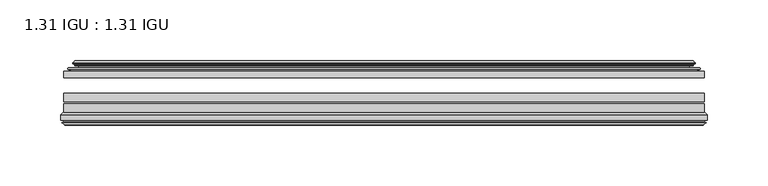
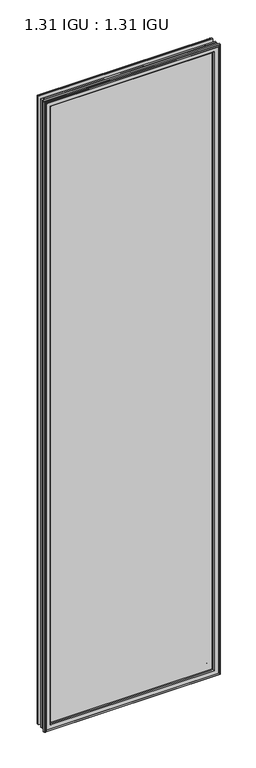
"""IFC4 building model written with IfcOpenShell, lengths in millimetres: plate geometry, 1.31 IGU : 1.31 IGU."""

import ifcopenshell
import ifcopenshell.guid

model = None  # the IFC model being written
_history = None  # IfcOwnerHistory: only IFC2X3 demands one
_inside = {}  # id of a spatial element -> (the spatial element, [elements in it])
_under = {}  # id of a project, library or spatial element -> (it, [spatial elements below it])
_declared = {}  # id of a project -> (the project, [libraries it declares])
_typed = {}  # id of a type object -> (the type object, [elements of that type])
_made_of = {}  # id of a material, layer set ... -> (it, [elements and type objects made of it])


def new_model(schema):
    """Start an empty IFC model of exactly this schema.

    Asked for "IFC4X3", IfcOpenShell would pick the latest addendum, in which some entities
    have other attributes; the version numbers below select the first issue.
    IFC2X3 requires an IfcOwnerHistory on every rooted entity: one is made here for all.
    """
    global model, _history
    if schema == "IFC4X3":
        model = ifcopenshell.file(schema_version=(4, 3, 0, 0))
    else:
        model = ifcopenshell.file(schema=schema)
    _inside.clear()
    _under.clear()
    _declared.clear()
    _typed.clear()
    _made_of.clear()
    _history = None
    if model.schema == "IFC2X3":
        org = make("IfcOrganization", Name="unknown")
        user = make(
            "IfcPersonAndOrganization",
            ThePerson=make("IfcPerson", FamilyName="unknown"),
            TheOrganization=org,
        )
        app = make(
            "IfcApplication",
            ApplicationDeveloper=org,
            Version="unknown",
            ApplicationFullName="unknown",
            ApplicationIdentifier="unknown",
        )
        _history = make(
            "IfcOwnerHistory",
            OwningUser=user,
            OwningApplication=app,
            ChangeAction="ADDED",
            CreationDate=0,
        )
    return model


def make(cls, **values):
    """One entity of the class cls with the attributes given. An attribute that is None is left unset."""
    return model.create_entity(
        cls, **{name: value for name, value in values.items() if value is not None}
    )


def rooted(cls, **values):
    """An entity with a GlobalId (a new one), such as an element, a storey or a relation."""
    return make(cls, GlobalId=ifcopenshell.guid.new(), OwnerHistory=_history, **values)


def si_unit(unit_type, name, prefix=None):
    """IfcSIUnit, for example si_unit("LENGTHUNIT", "METRE", prefix="MILLI")."""
    return make("IfcSIUnit", UnitType=unit_type, Prefix=prefix, Name=name)


def assignment(units):
    """IfcUnitAssignment: the units of a project."""
    return None if units is None else make("IfcUnitAssignment", Units=units)


def point(xyz):
    """IfcCartesianPoint."""
    return None if xyz is None else make("IfcCartesianPoint", Coordinates=xyz)


def direction(xyz):
    """IfcDirection."""
    return None if xyz is None else make("IfcDirection", DirectionRatios=xyz)


def frame(location, z_axis=None, x_axis=None):
    """IfcAxis2Placement3D, a coordinate frame: its origin and axes. An axis left out is left unset."""
    return make(
        "IfcAxis2Placement3D",
        Location=point(location),
        Axis=direction(z_axis),
        RefDirection=direction(x_axis),
    )


def origin():
    """The frame at (0, 0, 0) with its axes left unset."""
    return frame((0.0, 0.0, 0.0))


def place(relative_to, where):
    """IfcLocalPlacement: puts the frame where relative to a parent placement (None: the world)."""
    return make(
        "IfcLocalPlacement", PlacementRelTo=relative_to, RelativePlacement=where
    )


def context(
    kind, dimensions, precision=None, world=None, true_north=None, identifier=None
):
    """IfcGeometricRepresentationContext, for example the 3D "Model" context."""
    return make(
        "IfcGeometricRepresentationContext",
        ContextIdentifier=identifier,
        ContextType=kind,
        CoordinateSpaceDimension=dimensions,
        Precision=precision,
        WorldCoordinateSystem=world,
        TrueNorth=true_north,
    )


def project(units=None, contexts=None):
    """IfcProject with its units and contexts."""
    return rooted(
        "IfcProject",
        Name="project",
        RepresentationContexts=contexts,
        UnitsInContext=assignment(units),
    )


def spatial(cls, under=None, at=None, **own):
    """A site, building, storey or space (cls), placed at a placement, below another one or the project."""
    s = rooted(cls, ObjectPlacement=at, **own)
    if under is not None:
        _under.setdefault(under.id(), (under, []))[1].append(s)
    return s


def polyline(points):
    """IfcPolyline through the points."""
    return make("IfcPolyline", Points=[point(p) for p in points])


def ellipse_curve(where, semi_axis1, semi_axis2):
    """IfcEllipse in the frame where."""
    return make(
        "IfcEllipse", Position=where, SemiAxis1=semi_axis1, SemiAxis2=semi_axis2
    )


def outline(outer, holes=None, kind="AREA"):
    """IfcArbitraryClosedProfileDef: a profile drawn as a closed curve; with holes, ...WithVoids."""
    if holes is None:
        return make("IfcArbitraryClosedProfileDef", ProfileType=kind, OuterCurve=outer)
    return make(
        "IfcArbitraryProfileDefWithVoids",
        ProfileType=kind,
        OuterCurve=outer,
        InnerCurves=holes,
    )


def extrude(swept, where, along, depth):
    """IfcExtrudedAreaSolid: the profile swept, set in the frame where, extruded along a direction by depth."""
    return make(
        "IfcExtrudedAreaSolid",
        SweptArea=swept,
        Position=where,
        ExtrudedDirection=direction(along),
        Depth=depth,
    )


def shape(context_of_items, identifier, shape_type, items):
    """IfcShapeRepresentation: the items that make up one representation, for example the "Body"."""
    return make(
        "IfcShapeRepresentation",
        ContextOfItems=context_of_items,
        RepresentationIdentifier=identifier,
        RepresentationType=shape_type,
        Items=items,
    )


def source(mapping_origin, context_of_items, identifier, shape_type, items):
    """IfcRepresentationMap: a shape defined once, which mapped items show again and again."""
    return make(
        "IfcRepresentationMap",
        MappingOrigin=mapping_origin,
        MappedRepresentation=shape(context_of_items, identifier, shape_type, items),
    )


def transform(
    local_origin,
    x_axis=None,
    y_axis=None,
    z_axis=None,
    scale=None,
    scale2=None,
    scale3=None,
    uniform=True,
):
    """IfcCartesianTransformationOperator3D, or its non-uniform kind. x_axis, y_axis, z_axis: its Axis1, 2, 3."""
    if uniform:
        return make(
            "IfcCartesianTransformationOperator3D",
            Axis1=direction(x_axis),
            Axis2=direction(y_axis),
            LocalOrigin=point(local_origin),
            Scale=scale,
            Axis3=direction(z_axis),
        )
    return make(
        "IfcCartesianTransformationOperator3DnonUniform",
        Axis1=direction(x_axis),
        Axis2=direction(y_axis),
        LocalOrigin=point(local_origin),
        Scale=scale,
        Axis3=direction(z_axis),
        Scale2=scale2,
        Scale3=scale3,
    )


def mapped(mapping_source, mapping_target):
    """IfcMappedItem: shows the shape of a source again, moved by a transform."""
    return make(
        "IfcMappedItem", MappingSource=mapping_source, MappingTarget=mapping_target
    )


def made_of(thing, what):
    """Note that an element or type object is made of a material, layer set ...; save() writes the relation."""
    if what is not None:
        _made_of.setdefault(what.id(), (what, []))[1].append(thing)
    return thing


def element(
    cls,
    number,
    at=None,
    inside=None,
    cuts=None,
    type_object=None,
    material=None,
    context=None,
    identifier="Body",
    shape_type=None,
    held_by="IfcProductDefinitionShape",
    body=None,
    shapes=None,
    **own,
):
    """One element of the class cls, such as IfcWall. Its Tag is "e" and its number.

    at: its placement. inside: the storey or other place that contains it. cuts: it is an
    opening in that element (IfcRelVoidsElement). A single representation is given by context,
    identifier, shape_type and body (its items); several are given by shapes. held_by: the class
    of the entity that holds the representations. save() writes the other relations.
    """
    e = rooted(cls, Tag="e%d" % number, ObjectPlacement=at, **own)
    if body is not None:
        shapes = [shape(context, identifier, shape_type, body)]
    if shapes is not None:
        e.Representation = make(held_by, Representations=shapes)
    if inside is not None:
        _inside.setdefault(inside.id(), (inside, []))[1].append(e)
    if cuts is not None:
        rooted(
            "IfcRelVoidsElement", RelatingBuildingElement=cuts, RelatedOpeningElement=e
        )
    if type_object is not None:
        _typed.setdefault(type_object.id(), (type_object, []))[1].append(e)
    return made_of(e, material)


def aggregate(whole, parts):
    """IfcRelAggregates: a whole, such as a stair, and the parts it consists of."""
    return rooted("IfcRelAggregates", RelatingObject=whole, RelatedObjects=parts)


def save(model, path):
    """Write the relations noted so far, then the file.

    IfcRelAggregates (storeys below a building ...), IfcRelContainedInSpatialStructure (elements
    in a storey), IfcRelDefinesByType, IfcRelAssociatesMaterial and IfcRelDeclares: one each for
    every whole, place, type object, material and project.
    """
    for whole, parts in _under.values():
        aggregate(whole, parts)
    for where, things in _inside.values():
        rooted(
            "IfcRelContainedInSpatialStructure",
            RelatedElements=things,
            RelatingStructure=where,
        )
    for kind, things in _typed.values():
        rooted("IfcRelDefinesByType", RelatedObjects=things, RelatingType=kind)
    for what, things in _made_of.values():
        rooted("IfcRelAssociatesMaterial", RelatedObjects=things, RelatingMaterial=what)
    for by, libraries in _declared.values():
        rooted("IfcRelDeclares", RelatingContext=by, RelatedDefinitions=libraries)
    model.write(path)


def plane_surface(at):
    """IfcPlane: the flat surface through the origin of the frame at, square to its z axis."""
    return make("IfcPlane", Position=at)


def cylinder_surface(at, radius):
    """IfcCylindricalSurface: all points at the distance radius from the z axis of the frame at."""
    return make("IfcCylindricalSurface", Position=at, Radius=radius)


def revolved_surface(curve, axis_point, axis_direction):
    """IfcSurfaceOfRevolution: the curve turned about the line through axis_point along axis_direction."""
    return make(
        "IfcSurfaceOfRevolution",
        SweptCurve=make("IfcArbitraryOpenProfileDef", ProfileType="CURVE", Curve=curve),
        AxisPosition=make("IfcAxis1Placement", Location=point(axis_point), Axis=direction(axis_direction)),
    )


def advanced_brep(points, edges, surfaces, faces):
    """IfcAdvancedBrep: a solid bounded by faces that lie on surfaces and meet in shared edges.

    An edge is (start, end): straight between two places in points (the first is 0);
    or (start, end, curve); or (start, end, curve, False) where it runs against its curve.
    A face is (place in surfaces, loops), or (place, loops, False) where it looks against
    its surface's normal. A loop lists edges by number (the first is 1), with a minus sign
    where the edge is run from its end to its start. The first loop is the outer one.
    """
    corners = [point(p) for p in points]
    vertices = [make("IfcVertexPoint", VertexGeometry=c) for c in corners]
    made = []
    for start, end, *more in edges:
        made.append(
            make(
                "IfcEdgeCurve",
                EdgeStart=vertices[start],
                EdgeEnd=vertices[end],
                EdgeGeometry=more[0] if more else make("IfcPolyline", Points=[corners[start], corners[end]]),
                SameSense=more[1] if len(more) > 1 else True,
            )
        )
    hull = []
    for where, loops, *sense in faces:
        bounds = []
        for j, loop in enumerate(loops):
            ring = [make("IfcOrientedEdge", EdgeElement=made[abs(k) - 1], Orientation=k > 0) for k in loop]
            bounds.append(
                make(
                    "IfcFaceOuterBound" if j == 0 else "IfcFaceBound",
                    Bound=make("IfcEdgeLoop", EdgeList=ring),
                    Orientation=True,
                )
            )
        hull.append(make("IfcAdvancedFace", Bounds=bounds, FaceSurface=surfaces[where], SameSense=sense[0] if sense else True))
    return make("IfcAdvancedBrep", Outer=make("IfcClosedShell", CfsFaces=hull))


def plate_1_31_igu_1_31_igu_002f4c87(model_context):
    return source(origin(), model_context, "Body", "SolidModel", [
        extrude(outline(polyline([(263.5203362, -44.8960875), (263.5203362, -50.4332875), (-263.5252713, -50.4332875), (-263.5252713, -44.8960875), (263.5203362, -44.8960875)])), frame((0.0, 0.0, -14.2875), z_axis=(0.0, 0.0, 1.0), x_axis=(1.0, 0.0, 0.0)), (0.0, 0.0, 1.0), 2009.67848),
        extrude(outline(polyline([(-263.5252713, -78.7796875), (-263.5252713, -71.7692875), (263.5203362, -71.7692875), (263.5203362, -78.7796875), (-263.5252713, -78.7796875)])), frame((0.0, 0.0, -14.2875), z_axis=(0.0, 0.0, 1.0), x_axis=(1.0, 0.0, 0.0)), (0.0, 0.0, 1.0), 2009.67848),
        extrude(outline(polyline([(-263.5252713, -70.2452875), (-263.5252713, -63.1332875), (263.5203362, -63.1332875), (263.5203362, -70.2452875), (-263.5252713, -70.2452875)])), frame((0.0, 0.0, -14.2875), z_axis=(0.0, 0.0, 1.0), x_axis=(1.0, 0.0, 0.0)), (0.0, 0.0, 1.0), 2009.67848),
        advanced_brep(
        [(-254.1799468, -37.7373382, 1986.0456555), (-249.2383138, -36.3108875, 1981.1040226), (-249.2383138, -36.3108875, -0.0005426), (-254.1799468, -37.7373382, -4.9421755), (-254.0148415, -36.9605789, 1985.8805502), (-254.0148415, -36.9605789, -4.7770702), (-254.6103272, -36.4771203, 1986.4760359), (-254.6103272, -36.4771203, -5.3725559), (-255.874963, -37.766076, 1987.7406717), (-255.874963, -37.766076, -6.6371917), (-255.8641462, -38.8797852, 1987.7298549), (-255.8641462, -38.8797852, -6.6263749), (-254.582661, -40.1361433, 1986.4483697), (-254.582661, -40.1361433, -5.3448897), (-253.9776542, -39.649943, 1985.8433629), (-253.9776542, -39.649943, -4.7398829), (-254.5316684, -39.0959287, 1986.3973772), (-254.5316684, -39.0959287, -5.2938972), (-252.24586, -38.7029881, 1984.1115687), (-252.24586, -38.7029881, -3.0080887), (-250.7867869, -40.2107282, 1982.6524957), (-250.7867869, -40.2107282, -1.5490157), (-251.0833689, -41.651269, 1982.9490776), (-251.0833689, -41.651269, -1.8455976), (-251.8545933, -42.2798875, 1983.7203021), (-251.8545933, -42.2798875, -2.6168221), (-260.1585697, -43.4871542, 1992.0242784), (-259.8833682, -42.2798875, 1991.7490769), (-259.8833682, -42.2798875, -10.6455969), (-260.1585697, -43.4871542, -10.9207984), (-256.701001, -44.8960875, 1988.5667097), (-256.701001, -44.8960875, -7.4632297), (-245.6033772, -44.023302, 1977.4690859), (-245.9587152, -44.8960875, 1977.8244239), (-245.9587152, -44.8960875, 3.2790561), (-245.6033772, -44.023302, 3.6343941), (-246.2745752, -43.3681812, 1978.140284), (-246.2745752, -43.3681812, 2.963196), (-247.9153658, -40.6686056, 1979.7810746), (-247.9153658, -40.6686056, 1.3224054), (249.2383138, -36.3108875, -0.0005426), (254.1799468, -37.7373382, -4.9421755), (254.0148415, -36.9605789, -4.7770702), (254.6103272, -36.4771203, -5.3725559), (255.874963, -37.766076, -6.6371917), (255.8641462, -38.8797852, -6.6263749), (254.582661, -40.1361433, -5.3448897), (253.9776542, -39.649943, -4.7398829), (254.5316684, -39.0959287, -5.2938972), (252.24586, -38.7029881, -3.0080887), (250.7867869, -40.2107282, -1.5490157), (251.0833689, -41.651269, -1.8455976), (251.8545933, -42.2798875, -2.6168221), (259.8833682, -42.2798875, -10.6455969), (260.1585697, -43.4871542, -10.9207984), (256.701001, -44.8960875, -7.4632297), (245.9587152, -44.8960875, 3.2790561), (245.6033772, -44.023302, 3.6343941), (246.2745752, -43.3681812, 2.963196), (247.9153658, -40.6686056, 1.3224054), (249.2383138, -36.3108875, 1981.1040226), (254.1799468, -37.7373382, 1986.0456555), (254.0148415, -36.9605789, 1985.8805502), (254.6103272, -36.4771203, 1986.4760359), (255.874963, -37.766076, 1987.7406717), (255.8641462, -38.8797852, 1987.7298549), (254.582661, -40.1361433, 1986.4483697), (253.9776542, -39.649943, 1985.8433629), (254.5316684, -39.0959287, 1986.3973772), (252.24586, -38.7029881, 1984.1115687), (250.7867869, -40.2107282, 1982.6524957), (251.0833689, -41.651269, 1982.9490776), (251.8545933, -42.2798875, 1983.7203021), (259.8833682, -42.2798875, 1991.7490769), (260.1585697, -43.4871542, 1992.0242784), (256.701001, -44.8960875, 1988.5667097), (245.9587152, -44.8960875, 1977.8244239), (245.6033772, -44.023302, 1977.4690859), (246.2745752, -43.3681812, 1978.140284), (247.9153658, -40.6686056, 1979.7810746)],
        [
            (0, 1),
            (1, 2),
            (2, 3),
            (3, 0),
            (4, 0),
            (3, 5),
            (5, 4),
            (6, 4, ellipse_curve(frame((-254.3353584, -36.746901, 1986.2010671), z_axis=(-0.7071067811865475, 0.0, -0.7071067811865475), x_axis=(-0.7071067811865474, 0.0, 0.7071067811865476)), 0.5447741, 0.3852135)),
            (5, 7, ellipse_curve(frame((-254.3353584, -36.746901, -5.0975871), z_axis=(-0.7071067811865475, 0.0, 0.7071067811865475), x_axis=(0.7071067811865474, 0.0, 0.7071067811865476)), 0.5447741, 0.3852135)),
            (7, 6),
            (8, 6),
            (7, 9),
            (9, 8),
            (10, 8, ellipse_curve(frame((-255.3129099, -38.3175243, 1987.1786187), z_axis=(-0.7071067811865475, 0.0, -0.7071067811865475), x_axis=(-0.7071067811865474, 0.0, 0.7071067811865476)), 1.1135518, 0.7874)),
            (9, 11, ellipse_curve(frame((-255.3129099, -38.3175243, -6.0751387), z_axis=(-0.7071067811865475, 0.0, 0.7071067811865475), x_axis=(0.7071067811865474, 0.0, 0.7071067811865476)), 1.1135518, 0.7874)),
            (11, 10),
            (12, 10),
            (11, 13),
            (13, 12),
            (14, 12, ellipse_curve(frame((-254.3090635, -39.8570738, 1986.1747722), z_axis=(-0.7071067811865475, 0.0, -0.7071067811865475), x_axis=(-0.7071067811865474, 0.0, 0.7071067811865476)), 0.552694, 0.3908137)),
            (13, 15, ellipse_curve(frame((-254.3090635, -39.8570738, -5.0712922), z_axis=(-0.7071067811865475, 0.0, 0.7071067811865475), x_axis=(0.7071067811865474, 0.0, 0.7071067811865476)), 0.552694, 0.3908137)),
            (15, 14),
            (16, 14),
            (15, 17),
            (17, 16),
            (18, 16),
            (17, 19),
            (19, 18),
            (20, 18, ellipse_curve(frame((-252.0306974, -39.954629, 1983.8964061), z_axis=(0.7071067811865475, 0.0, 0.7071067811865475), x_axis=(0.7071067811865474, 0.0, -0.7071067811865476)), 1.7960512, 1.27)),
            (19, 21, ellipse_curve(frame((-252.0306974, -39.954629, -2.7929261), z_axis=(0.7071067811865475, 0.0, -0.7071067811865475), x_axis=(-0.7071067811865474, 0.0, -0.7071067811865476)), 1.7960512, 1.27)),
            (21, 20),
            (22, 20),
            (21, 23),
            (23, 22),
            (24, 22, ellipse_curve(frame((-251.8545933, -41.4924875, 1983.7203021), z_axis=(0.7071067811865475, 0.0, 0.7071067811865475), x_axis=(0.7071067811865474, 0.0, -0.7071067811865476)), 1.1135518, 0.7874)),
            (23, 25, ellipse_curve(frame((-251.8545933, -41.4924875, -2.6168221), z_axis=(0.7071067811865475, 0.0, -0.7071067811865475), x_axis=(-0.7071067811865474, 0.0, -0.7071067811865476)), 1.1135518, 0.7874)),
            (25, 24),
            (26, 27, ellipse_curve(frame((-259.8833682, -42.9148875, 1991.7490769), z_axis=(-0.7071067811865475, 0.0, -0.7071067811865475), x_axis=(-0.7071067811865474, 0.0, 0.7071067811865476)), 0.8980256, 0.635)),
            (27, 28),
            (28, 29, ellipse_curve(frame((-259.8833682, -42.9148875, -10.6455969), z_axis=(-0.7071067811865475, 0.0, 0.7071067811865475), x_axis=(0.7071067811865474, 0.0, 0.7071067811865476)), 0.8980256, 0.635)),
            (29, 26),
            (30, 26),
            (29, 31),
            (31, 30),
            (32, 33, ellipse_curve(frame((-245.9587152, -44.3873602, 1977.8244239), z_axis=(-0.7071067811865475, 0.0, -0.7071067811865475), x_axis=(-0.7071067811865474, 0.0, 0.7071067811865476)), 0.719449, 0.5087273)),
            (33, 34),
            (34, 35, ellipse_curve(frame((-245.9587152, -44.3873602, 3.2790561), z_axis=(-0.7071067811865475, 0.0, 0.7071067811865475), x_axis=(0.7071067811865474, 0.0, 0.7071067811865476)), 0.719449, 0.5087273)),
            (35, 32),
            (36, 32),
            (35, 37),
            (37, 36),
            (38, 36, ellipse_curve(frame((-241.839201, -38.823959, 1973.7049098), z_axis=(0.7071067811865475, 0.0, 0.7071067811865475), x_axis=(0.7071067811865474, 0.0, -0.7071067811865476)), 8.9802561, 6.35)),
            (37, 39, ellipse_curve(frame((-241.839201, -38.823959, 7.3985702), z_axis=(0.7071067811865475, 0.0, -0.7071067811865475), x_axis=(-0.7071067811865474, 0.0, -0.7071067811865476)), 8.9802561, 6.35)),
            (39, 38),
            (1, 38),
            (39, 2),
            (2, 40),
            (40, 41),
            (41, 3),
            (41, 42),
            (42, 5),
            (42, 43, ellipse_curve(frame((254.3353584, -36.746901, -5.0975871), z_axis=(-0.7071067811865475, 0.0, -0.7071067811865475), x_axis=(-0.7071067811865476, 0.0, 0.7071067811865474)), 0.5447741, 0.3852135)),
            (43, 7),
            (43, 44),
            (44, 9),
            (44, 45, ellipse_curve(frame((255.3129099, -38.3175243, -6.0751387), z_axis=(-0.7071067811865475, 0.0, -0.7071067811865475), x_axis=(-0.7071067811865476, 0.0, 0.7071067811865474)), 1.1135518, 0.7874)),
            (45, 11),
            (45, 46),
            (46, 13),
            (46, 47, ellipse_curve(frame((254.3090635, -39.8570738, -5.0712922), z_axis=(-0.7071067811865475, 0.0, -0.7071067811865475), x_axis=(-0.7071067811865476, 0.0, 0.7071067811865474)), 0.552694, 0.3908137)),
            (47, 15),
            (47, 48),
            (48, 17),
            (48, 49),
            (49, 19),
            (49, 50, ellipse_curve(frame((252.0306974, -39.954629, -2.7929261), z_axis=(0.7071067811865475, 0.0, 0.7071067811865475), x_axis=(0.7071067811865476, 0.0, -0.7071067811865474)), 1.7960512, 1.27)),
            (50, 21),
            (50, 51),
            (51, 23),
            (51, 52, ellipse_curve(frame((251.8545933, -41.4924875, -2.6168221), z_axis=(0.7071067811865475, 0.0, 0.7071067811865475), x_axis=(0.7071067811865476, 0.0, -0.7071067811865474)), 1.1135518, 0.7874)),
            (52, 25),
            (28, 53),
            (53, 54, ellipse_curve(frame((259.8833682, -42.9148875, -10.6455969), z_axis=(-0.7071067811865475, 0.0, -0.7071067811865475), x_axis=(-0.7071067811865476, 0.0, 0.7071067811865474)), 0.8980256, 0.635)),
            (54, 29),
            (54, 55),
            (55, 31),
            (34, 56),
            (56, 57, ellipse_curve(frame((245.9587152, -44.3873602, 3.2790561), z_axis=(-0.7071067811865475, 0.0, -0.7071067811865475), x_axis=(-0.7071067811865476, 0.0, 0.7071067811865474)), 0.719449, 0.5087273)),
            (57, 35),
            (57, 58),
            (58, 37),
            (58, 59, ellipse_curve(frame((241.839201, -38.823959, 7.3985702), z_axis=(0.7071067811865475, 0.0, 0.7071067811865475), x_axis=(0.7071067811865476, 0.0, -0.7071067811865474)), 8.9802561, 6.35)),
            (59, 39),
            (59, 40),
            (40, 60),
            (60, 61),
            (61, 41),
            (61, 62),
            (62, 42),
            (62, 63, ellipse_curve(frame((254.3353584, -36.746901, 1986.2010671), z_axis=(0.7071067811865475, 0.0, -0.7071067811865475), x_axis=(-0.7071067811865474, 0.0, -0.7071067811865476)), 0.5447741, 0.3852135)),
            (63, 43),
            (63, 64),
            (64, 44),
            (64, 65, ellipse_curve(frame((255.3129099, -38.3175243, 1987.1786187), z_axis=(0.7071067811865475, 0.0, -0.7071067811865475), x_axis=(-0.7071067811865474, 0.0, -0.7071067811865476)), 1.1135518, 0.7874)),
            (65, 45),
            (65, 66),
            (66, 46),
            (66, 67, ellipse_curve(frame((254.3090635, -39.8570738, 1986.1747722), z_axis=(0.7071067811865475, 0.0, -0.7071067811865475), x_axis=(-0.7071067811865474, 0.0, -0.7071067811865476)), 0.552694, 0.3908137)),
            (67, 47),
            (67, 68),
            (68, 48),
            (68, 69),
            (69, 49),
            (69, 70, ellipse_curve(frame((252.0306974, -39.954629, 1983.8964061), z_axis=(-0.7071067811865475, 0.0, 0.7071067811865475), x_axis=(0.7071067811865474, 0.0, 0.7071067811865476)), 1.7960512, 1.27)),
            (70, 50),
            (70, 71),
            (71, 51),
            (71, 72, ellipse_curve(frame((251.8545933, -41.4924875, 1983.7203021), z_axis=(-0.7071067811865475, 0.0, 0.7071067811865475), x_axis=(0.7071067811865474, 0.0, 0.7071067811865476)), 1.1135518, 0.7874)),
            (72, 52),
            (53, 73),
            (73, 74, ellipse_curve(frame((259.8833682, -42.9148875, 1991.7490769), z_axis=(0.7071067811865475, 0.0, -0.7071067811865475), x_axis=(-0.7071067811865474, 0.0, -0.7071067811865476)), 0.8980256, 0.635)),
            (74, 54),
            (74, 75),
            (75, 55),
            (56, 76),
            (76, 77, ellipse_curve(frame((245.9587152, -44.3873602, 1977.8244239), z_axis=(0.7071067811865475, 0.0, -0.7071067811865475), x_axis=(-0.7071067811865474, 0.0, -0.7071067811865476)), 0.719449, 0.5087273)),
            (77, 57),
            (77, 78),
            (78, 58),
            (78, 79, ellipse_curve(frame((241.839201, -38.823959, 1973.7049098), z_axis=(-0.7071067811865475, 0.0, 0.7071067811865475), x_axis=(0.7071067811865474, 0.0, 0.7071067811865476)), 8.9802561, 6.35)),
            (79, 59),
            (79, 60),
            (60, 1),
            (0, 61),
            (4, 62),
            (6, 63),
            (8, 64),
            (10, 65),
            (12, 66),
            (14, 67),
            (16, 68),
            (18, 69),
            (20, 70),
            (22, 71),
            (24, 72),
            (27, 73),
            (26, 74),
            (30, 75),
            (33, 76),
            (32, 77),
            (36, 78),
            (38, 79),
        ],
        [
            plane_surface(frame((-249.2383138, -36.3108875, 1981.1040226), z_axis=(-0.2773364928492854, 0.9607728502273877, 0.0), x_axis=(0.0, 0.0, -1.0))),
            plane_surface(frame((-254.1799468, -37.7373382, 1986.0456555), z_axis=(0.9781476007338358, -0.20791169081761773, 0.0), x_axis=(0.0, 0.0, -1.0))),
            cylinder_surface(frame((-254.3353584, -36.746901, 2012.85348), z_axis=(0.0, 0.0, 1.0), x_axis=(-1.0, 0.0, 0.0)), 0.3852135),
            plane_surface(frame((-254.6103272, -36.4771203, 1986.4760359), z_axis=(-0.7138087599382162, 0.7003406701280929, 0.0), x_axis=(0.0, 0.0, -1.0))),
            cylinder_surface(frame((-255.3129099, -38.3175243, 2012.85348), z_axis=(0.0, 0.0, 1.0), x_axis=(-1.0, 0.0, 0.0)), 0.7874),
            plane_surface(frame((-255.8641462, -38.8797852, 1987.7298549), z_axis=(-0.7000714109283733, -0.7140728391423082, 0.0), x_axis=(0.0, 0.0, -1.0))),
            cylinder_surface(frame((-254.3090635, -39.8570738, 2012.85348), z_axis=(0.0, 0.0, 1.0), x_axis=(-1.0, 0.0, 0.0)), 0.3908137),
            plane_surface(frame((-253.9776542, -39.649943, 1985.8433629), z_axis=(0.7071067811861126, 0.7071067811869826, 0.0), x_axis=(0.0, 0.0, -1.0))),
            plane_surface(frame((-254.5316684, -39.0959287, 1986.3973772), z_axis=(0.16941940671011482, -0.9855440449974789, 0.0), x_axis=(0.0, 0.0, -1.0))),
            revolved_surface(polyline([(-253.30069740000002, -39.954629, -4.062926082878221), (-253.30069740000002, -39.954629, 1985.1664060828782)]), (-252.0306974, -39.954629, 2012.85348), (0.0, 0.0, -1.0)),
            plane_surface(frame((-250.7867869, -40.2107282, 1982.6524957), z_axis=(-0.9794570432566897, 0.20165292067030202, 0.0), x_axis=(0.0, 0.0, -1.0))),
            revolved_surface(polyline([(-252.6419933, -41.4924875, -3.4042221289826102), (-252.6419933, -41.4924875, 1984.5077021289826)]), (-251.8545933, -41.4924875, 2012.85348), (0.0, 0.0, -1.0)),
            cylinder_surface(frame((-259.8833682, -42.9148875, 2012.85348), z_axis=(0.0, 0.0, 1.0), x_axis=(-1.0, 0.0, 0.0)), 0.635),
            plane_surface(frame((-260.1585697, -43.4871542, 1992.0242784), z_axis=(-0.37736447542757934, -0.9260648209954139, 0.0), x_axis=(0.0, 0.0, -1.0))),
            cylinder_surface(frame((-245.9587152, -44.3873602, 2012.85348), z_axis=(0.0, 0.0, 1.0), x_axis=(-1.0, 0.0, 0.0)), 0.5087273),
            plane_surface(frame((-245.6033772, -44.023302, 1977.4690859), z_axis=(0.698484125849927, 0.7156255486884628, 0.0), x_axis=(0.0, 0.0, -1.0))),
            revolved_surface(polyline([(-248.189201, -38.823959, 1.0485702148980636), (-248.189201, -38.823959, 1980.054909785102)]), (-241.839201, -38.823959, 2012.85348), (0.0, 0.0, -1.0)),
            plane_surface(frame((-247.9153658, -40.6686056, 1979.7810746), z_axis=(0.956876347351701, 0.2904955350411895, 0.0), x_axis=(0.0, 0.0, -1.0))),
            plane_surface(frame((-249.2383138, -36.3108875, -0.0005426), z_axis=(0.0, 0.9607728502273868, -0.2773364928492885), x_axis=(1.0, 0.0, 0.0))),
            plane_surface(frame((-254.1799468, -37.7373382, -4.9421755), z_axis=(0.0, -0.20791169081761454, 0.9781476007338364), x_axis=(1.0, 0.0, 0.0))),
            cylinder_surface(frame((-280.9877713, -36.746901, -5.0975871), z_axis=(-1.0, 0.0, 0.0), x_axis=(0.0, 0.0, -1.0)), 0.3852135),
            plane_surface(frame((-254.6103272, -36.4771203, -5.3725559), z_axis=(0.0, 0.7003406701280904, -0.7138087599382185), x_axis=(1.0, 0.0, 0.0))),
            cylinder_surface(frame((-280.9877713, -38.3175243, -6.0751387), z_axis=(-1.0, 0.0, 0.0), x_axis=(0.0, 0.0, -1.0)), 0.7874),
            plane_surface(frame((-255.8641462, -38.8797852, -6.6263749), z_axis=(0.0, -0.7140728391423106, -0.700071410928371), x_axis=(1.0, 0.0, 0.0))),
            cylinder_surface(frame((-280.9877713, -39.8570738, -5.0712922), z_axis=(-1.0, 0.0, 0.0), x_axis=(0.0, 0.0, -1.0)), 0.3908137),
            plane_surface(frame((-253.9776542, -39.649943, -4.7398829), z_axis=(0.0, 0.7071067811869849, 0.7071067811861103), x_axis=(1.0, 0.0, 0.0))),
            plane_surface(frame((-254.5316684, -39.0959287, -5.2938972), z_axis=(0.0, -0.9855440449974784, 0.16941940671011801), x_axis=(1.0, 0.0, 0.0))),
            revolved_surface(polyline([(253.30069738287835, -39.954629, -4.0629261), (-253.30069738287824, -39.954629, -4.0629261)]), (-280.9877713, -39.954629, -2.7929261), (1.0, 0.0, 0.0)),
            plane_surface(frame((-250.7867869, -40.2107282, -1.5490157), z_axis=(0.0, 0.20165292067029883, -0.9794570432566904), x_axis=(1.0, 0.0, 0.0))),
            revolved_surface(polyline([(252.64199332898244, -41.4924875, -3.4042220999999997), (-252.6419933289825, -41.4924875, -3.4042220999999997)]), (-280.9877713, -41.4924875, -2.6168221), (1.0, 0.0, 0.0)),
            cylinder_surface(frame((-280.9877713, -42.9148875, -10.6455969), z_axis=(-1.0, 0.0, 0.0), x_axis=(0.0, 0.0, -1.0)), 0.635),
            plane_surface(frame((-260.1585697, -43.4871542, -10.9207984), z_axis=(0.0, -0.9260648209954151, -0.37736447542757634), x_axis=(1.0, 0.0, 0.0))),
            cylinder_surface(frame((-280.9877713, -44.3873602, 3.2790561), z_axis=(-1.0, 0.0, 0.0), x_axis=(0.0, 0.0, -1.0)), 0.5087273),
            plane_surface(frame((-245.6033772, -44.023302, 3.6343941), z_axis=(0.0, 0.7156255486884651, 0.6984841258499247), x_axis=(1.0, 0.0, 0.0))),
            revolved_surface(polyline([(248.18920098510188, -38.823959, 1.0485702000000003), (-248.18920098510188, -38.823959, 1.0485702000000003)]), (-280.9877713, -38.823959, 7.3985702), (1.0, 0.0, 0.0)),
            plane_surface(frame((-247.9153658, -40.6686056, 1.3224054), z_axis=(0.0, 0.29049553504119263, 0.9568763473517), x_axis=(1.0, 0.0, 0.0))),
            plane_surface(frame((249.2383138, -36.3108875, -0.0005426), z_axis=(0.2773364928492916, 0.9607728502273859, 0.0), x_axis=(0.0, 0.0, 1.0))),
            plane_surface(frame((254.1799468, -37.7373382, -4.9421755), z_axis=(-0.9781476007338371, -0.20791169081761135, 0.0), x_axis=(0.0, 0.0, 1.0))),
            cylinder_surface(frame((254.3353584, -36.746901, -31.75), z_axis=(0.0, 0.0, -1.0), x_axis=(1.0, 0.0, 0.0)), 0.3852135),
            plane_surface(frame((254.6103272, -36.4771203, -5.3725559), z_axis=(0.7138087599382208, 0.7003406701280881, 0.0), x_axis=(0.0, 0.0, 1.0))),
            cylinder_surface(frame((255.3129099, -38.3175243, -31.75), z_axis=(0.0, 0.0, -1.0), x_axis=(1.0, 0.0, 0.0)), 0.7874),
            plane_surface(frame((255.8641462, -38.8797852, -6.6263749), z_axis=(0.7000714109283687, -0.7140728391423129, 0.0), x_axis=(0.0, 0.0, 1.0))),
            cylinder_surface(frame((254.3090635, -39.8570738, -31.75), z_axis=(0.0, 0.0, -1.0), x_axis=(1.0, 0.0, 0.0)), 0.3908137),
            plane_surface(frame((253.9776542, -39.649943, -4.7398829), z_axis=(-0.7071067811861079, 0.7071067811869872, 0.0), x_axis=(0.0, 0.0, 1.0))),
            plane_surface(frame((254.5316684, -39.0959287, -5.2938972), z_axis=(-0.1694194067101212, -0.9855440449974778, 0.0), x_axis=(0.0, 0.0, 1.0))),
            revolved_surface(polyline([(253.30069740000002, -39.954629, 1985.1664060828782), (253.30069740000002, -39.954629, -4.062926082878235)]), (252.0306974, -39.954629, -31.75), (0.0, 0.0, 1.0)),
            plane_surface(frame((250.7867869, -40.2107282, -1.5490157), z_axis=(0.979457043256691, 0.20165292067029564, 0.0), x_axis=(0.0, 0.0, 1.0))),
            revolved_surface(polyline([(252.6419933, -41.4924875, 1984.5077021289826), (252.6419933, -41.4924875, -3.404222128982486)]), (251.8545933, -41.4924875, -31.75), (0.0, 0.0, 1.0)),
            cylinder_surface(frame((259.8833682, -42.9148875, -31.75), z_axis=(0.0, 0.0, -1.0), x_axis=(1.0, 0.0, 0.0)), 0.635),
            plane_surface(frame((260.1585697, -43.4871542, -10.9207984), z_axis=(0.37736447542757334, -0.9260648209954163, 0.0), x_axis=(0.0, 0.0, 1.0))),
            cylinder_surface(frame((245.9587152, -44.3873602, -31.75), z_axis=(0.0, 0.0, -1.0), x_axis=(1.0, 0.0, 0.0)), 0.5087273),
            plane_surface(frame((245.6033772, -44.023302, 3.6343941), z_axis=(-0.6984841258499224, 0.7156255486884673, 0.0), x_axis=(0.0, 0.0, 1.0))),
            revolved_surface(polyline([(248.189201, -38.823959, 1980.054909785102), (248.189201, -38.823959, 1.0485702148981417)]), (241.839201, -38.823959, -31.75), (0.0, 0.0, 1.0)),
            plane_surface(frame((247.9153658, -40.6686056, 1.3224054), z_axis=(-0.9568763473516991, 0.2904955350411958, 0.0), x_axis=(0.0, 0.0, 1.0))),
            plane_surface(frame((249.2383138, -36.3108875, 1981.1040226), z_axis=(0.0, 0.9607728502273868, 0.2773364928492885), x_axis=(-1.0, 0.0, 0.0))),
            plane_surface(frame((254.1799468, -37.7373382, 1986.0456555), z_axis=(0.0, -0.20791169081761454, -0.9781476007338364), x_axis=(-1.0, 0.0, 0.0))),
            cylinder_surface(frame((280.9877713, -36.746901, 1986.2010671), z_axis=(1.0, 0.0, 0.0), x_axis=(0.0, 0.0, 1.0)), 0.3852135),
            plane_surface(frame((254.6103272, -36.4771203, 1986.4760359), z_axis=(0.0, 0.7003406701280904, 0.7138087599382185), x_axis=(-1.0, 0.0, 0.0))),
            cylinder_surface(frame((280.9877713, -38.3175243, 1987.1786187), z_axis=(1.0, 0.0, 0.0), x_axis=(0.0, 0.0, 1.0)), 0.7874),
            plane_surface(frame((255.8641462, -38.8797852, 1987.7298549), z_axis=(0.0, -0.7140728391423106, 0.700071410928371), x_axis=(-1.0, 0.0, 0.0))),
            cylinder_surface(frame((280.9877713, -39.8570738, 1986.1747722), z_axis=(1.0, 0.0, 0.0), x_axis=(0.0, 0.0, 1.0)), 0.3908137),
            plane_surface(frame((253.9776542, -39.649943, 1985.8433629), z_axis=(0.0, 0.7071067811869849, -0.7071067811861103), x_axis=(-1.0, 0.0, 0.0))),
            plane_surface(frame((254.5316684, -39.0959287, 1986.3973772), z_axis=(0.0, -0.9855440449974784, -0.16941940671011801), x_axis=(-1.0, 0.0, 0.0))),
            revolved_surface(polyline([(-253.30069738287835, -39.954629, 1985.1664061), (253.30069738287824, -39.954629, 1985.1664061)]), (280.9877713, -39.954629, 1983.8964061), (-1.0, 0.0, 0.0)),
            plane_surface(frame((250.7867869, -40.2107282, 1982.6524957), z_axis=(0.0, 0.20165292067029883, 0.9794570432566904), x_axis=(-1.0, 0.0, 0.0))),
            revolved_surface(polyline([(-252.64199332898244, -41.4924875, 1984.5077021), (252.6419933289825, -41.4924875, 1984.5077021)]), (280.9877713, -41.4924875, 1983.7203021), (-1.0, 0.0, 0.0)),
            plane_surface(frame((251.8545933, -42.2798875, 1983.7203021), z_axis=(0.0, 1.0, 0.0), x_axis=(-1.0, 0.0, 0.0))),
            cylinder_surface(frame((280.9877713, -42.9148875, 1991.7490769), z_axis=(1.0, 0.0, 0.0), x_axis=(0.0, 0.0, 1.0)), 0.635),
            plane_surface(frame((260.1585697, -43.4871542, 1992.0242784), z_axis=(0.0, -0.9260648209954151, 0.37736447542757634), x_axis=(-1.0, 0.0, 0.0))),
            plane_surface(frame((256.701001, -44.8960875, 1988.5667097), z_axis=(0.0, -1.0, 0.0), x_axis=(-1.0, 0.0, 0.0))),
            cylinder_surface(frame((280.9877713, -44.3873602, 1977.8244239), z_axis=(1.0, 0.0, 0.0), x_axis=(0.0, 0.0, 1.0)), 0.5087273),
            plane_surface(frame((245.6033772, -44.023302, 1977.4690859), z_axis=(0.0, 0.7156255486884651, -0.6984841258499247), x_axis=(-1.0, 0.0, 0.0))),
            revolved_surface(polyline([(-248.18920098510188, -38.823959, 1980.0549098), (248.18920098510188, -38.823959, 1980.0549098)]), (280.9877713, -38.823959, 1973.7049098), (-1.0, 0.0, 0.0)),
            plane_surface(frame((247.9153658, -40.6686056, 1979.7810746), z_axis=(0.0, 0.2904955350411927, -0.9568763473517001), x_axis=(-1.0, 0.0, 0.0))),
        ],
        [
            (0, [[1, 2, 3, 4]]),
            (1, [[5, -4, 6, 7]]),
            (2, [[8, -7, 9, 10]]),
            (3, [[11, -10, 12, 13]]),
            (4, [[14, -13, 15, 16]]),
            (5, [[17, -16, 18, 19]]),
            (6, [[20, -19, 21, 22]]),
            (7, [[23, -22, 24, 25]]),
            (8, [[26, -25, 27, 28]]),
            (9, [[29, -28, 30, 31]]),
            (10, [[32, -31, 33, 34]]),
            (11, [[35, -34, 36, 37]]),
            (12, [[38, 39, 40, 41]]),
            (13, [[42, -41, 43, 44]]),
            (14, [[45, 46, 47, 48]]),
            (15, [[49, -48, 50, 51]]),
            (16, [[52, -51, 53, 54]]),
            (17, [[55, -54, 56, -2]]),
            (18, [[-3, 57, 58, 59]]),
            (19, [[-6, -59, 60, 61]]),
            (20, [[-9, -61, 62, 63]]),
            (21, [[-12, -63, 64, 65]]),
            (22, [[-15, -65, 66, 67]]),
            (23, [[-18, -67, 68, 69]]),
            (24, [[-21, -69, 70, 71]]),
            (25, [[-24, -71, 72, 73]]),
            (26, [[-27, -73, 74, 75]]),
            (27, [[-30, -75, 76, 77]]),
            (28, [[-33, -77, 78, 79]]),
            (29, [[-36, -79, 80, 81]]),
            (30, [[-40, 82, 83, 84]]),
            (31, [[-43, -84, 85, 86]]),
            (32, [[-47, 87, 88, 89]]),
            (33, [[-50, -89, 90, 91]]),
            (34, [[-53, -91, 92, 93]]),
            (35, [[-56, -93, 94, -57]]),
            (36, [[-58, 95, 96, 97]]),
            (37, [[-60, -97, 98, 99]]),
            (38, [[-62, -99, 100, 101]]),
            (39, [[-64, -101, 102, 103]]),
            (40, [[-66, -103, 104, 105]]),
            (41, [[-68, -105, 106, 107]]),
            (42, [[-70, -107, 108, 109]]),
            (43, [[-72, -109, 110, 111]]),
            (44, [[-74, -111, 112, 113]]),
            (45, [[-76, -113, 114, 115]]),
            (46, [[-78, -115, 116, 117]]),
            (47, [[-80, -117, 118, 119]]),
            (48, [[-83, 120, 121, 122]]),
            (49, [[-85, -122, 123, 124]]),
            (50, [[-88, 125, 126, 127]]),
            (51, [[-90, -127, 128, 129]]),
            (52, [[-92, -129, 130, 131]]),
            (53, [[-94, -131, 132, -95]]),
            (54, [[-96, 133, -1, 134]]),
            (55, [[-98, -134, -5, 135]]),
            (56, [[-100, -135, -8, 136]]),
            (57, [[-102, -136, -11, 137]]),
            (58, [[-104, -137, -14, 138]]),
            (59, [[-106, -138, -17, 139]]),
            (60, [[-108, -139, -20, 140]]),
            (61, [[-110, -140, -23, 141]]),
            (62, [[-112, -141, -26, 142]]),
            (63, [[-114, -142, -29, 143]]),
            (64, [[-116, -143, -32, 144]]),
            (65, [[-118, -144, -35, 145]]),
            (66, [[146, -120, -82, -39], [-81, -119, -145, -37]]),
            (67, [[-121, -146, -38, 147]]),
            (68, [[-123, -147, -42, 148]]),
            (69, [[-86, -124, -148, -44], [149, -125, -87, -46]]),
            (70, [[-126, -149, -45, 150]]),
            (71, [[-128, -150, -49, 151]]),
            (72, [[-130, -151, -52, 152]]),
            (73, [[-132, -152, -55, -133]]),
        ],
    ),
        advanced_brep(
        [(-246.5502207, -83.3389875, 1978.4159294), (-248.3252868, -85.1296875, 1980.1909955), (-248.3252868, -85.1296875, 0.9124845), (-246.5502207, -83.3389875, 2.6875506), (-245.5270114, -78.7796875, 1977.3927201), (-245.5270114, -78.7796875, 3.7107599), (-266.1077204, -80.9740477, 1997.9734291), (-263.9133601, -78.7796875, 1995.7790689), (-263.9133601, -78.7796875, -14.6755889), (-266.1077204, -80.9740477, -16.8699491), (-266.1077204, -85.1296875, 1997.9734291), (-266.1077204, -85.1296875, -16.8699491), (-263.5826602, -86.3747112, 1995.4483689), (-264.3338872, -85.1296875, 1996.1995959), (-264.3338872, -85.1296875, -15.0961159), (-263.5826602, -86.3747112, -14.3448889), (-263.2731311, -87.6502863, 1995.1388398), (-263.2731311, -87.6502863, -14.0353598), (-264.2912445, -87.2076396, 1996.1569532), (-264.2912445, -87.2076396, -15.0534732), (-262.6042551, -88.8840626, 1994.4699638), (-265.0859545, -87.2076396, 1996.9516632), (-265.0859545, -87.2076396, -15.8481832), (-262.6042551, -88.8840626, -13.3664838), (-260.4524297, -86.9401656, 1992.3181384), (-260.4524297, -86.9401656, -11.2146584), (-262.1597839, -87.5528811, 1994.0254926), (-261.2340027, -86.9401656, 1993.0997114), (-261.2340027, -86.9401656, -11.9962314), (-262.1597839, -87.5528811, -12.9220126), (-262.0764585, -86.2429356, 1993.9421673), (-262.0764585, -86.2429356, -12.8386873), (-261.4782205, -85.1296875, 1993.3439292), (-261.4782205, -85.1296875, -12.2404492), (248.3252868, -85.1296875, 0.9124845), (246.5502207, -83.3389875, 2.6875506), (245.5270114, -78.7796875, 3.7107599), (263.9133601, -78.7796875, -14.6755889), (266.1077204, -80.9740477, -16.8699491), (266.1077204, -85.1296875, -16.8699491), (264.3338872, -85.1296875, -15.0961159), (263.5826602, -86.3747112, -14.3448889), (263.2731311, -87.6502863, -14.0353598), (264.2912445, -87.2076396, -15.0534732), (265.0859545, -87.2076396, -15.8481832), (262.6042551, -88.8840626, -13.3664838), (260.4524297, -86.9401656, -11.2146584), (261.2340027, -86.9401656, -11.9962314), (262.1597839, -87.5528811, -12.9220126), (262.0764585, -86.2429356, -12.8386873), (261.4782205, -85.1296875, -12.2404492), (248.3252868, -85.1296875, 1980.1909955), (246.5502207, -83.3389875, 1978.4159294), (245.5270114, -78.7796875, 1977.3927201), (263.9133601, -78.7796875, 1995.7790689), (266.1077204, -80.9740477, 1997.9734291), (266.1077204, -85.1296875, 1997.9734291), (264.3338872, -85.1296875, 1996.1995959), (263.5826602, -86.3747112, 1995.4483689), (263.2731311, -87.6502863, 1995.1388398), (264.2912445, -87.2076396, 1996.1569532), (265.0859545, -87.2076396, 1996.9516632), (262.6042551, -88.8840626, 1994.4699638), (260.4524297, -86.9401656, 1992.3181384), (261.2340027, -86.9401656, 1993.0997114), (262.1597839, -87.5528811, 1994.0254926), (262.0764585, -86.2429356, 1993.9421673), (261.4782205, -85.1296875, 1993.3439292)],
        [
            (0, 1, ellipse_curve(frame((-248.5767218, -83.1053133, 1980.4424305), z_axis=(-0.7071067811865475, 0.0, -0.7071067811865475), x_axis=(-0.7071067811865474, 0.0, 0.7071067811865476)), 2.8848953, 2.039929)),
            (1, 2),
            (2, 3, ellipse_curve(frame((-248.5767218, -83.1053133, 0.6610495), z_axis=(-0.7071067811865475, 0.0, 0.7071067811865475), x_axis=(0.7071067811865474, 0.0, 0.7071067811865476)), 2.8848953, 2.039929)),
            (3, 0),
            (4, 0),
            (3, 5),
            (5, 4),
            (6, 7),
            (7, 8),
            (8, 9),
            (9, 6),
            (10, 6),
            (9, 11),
            (11, 10),
            (12, 13),
            (13, 14),
            (14, 15),
            (15, 12),
            (16, 12),
            (15, 17),
            (17, 16),
            (18, 16),
            (17, 19),
            (19, 18),
            (20, 21),
            (21, 22),
            (22, 23),
            (23, 20),
            (24, 20),
            (23, 25),
            (25, 24),
            (26, 27),
            (27, 28),
            (28, 29),
            (29, 26),
            (30, 26),
            (29, 31),
            (31, 30),
            (32, 30),
            (31, 33),
            (33, 32),
            (2, 34),
            (34, 35, ellipse_curve(frame((248.5767218, -83.1053133, 0.6610495), z_axis=(-0.7071067811865475, 0.0, -0.7071067811865475), x_axis=(-0.7071067811865476, 0.0, 0.7071067811865474)), 2.8848953, 2.039929)),
            (35, 3),
            (35, 36),
            (36, 5),
            (8, 37),
            (37, 38),
            (38, 9),
            (38, 39),
            (39, 11),
            (14, 40),
            (40, 41),
            (41, 15),
            (41, 42),
            (42, 17),
            (42, 43),
            (43, 19),
            (22, 44),
            (44, 45),
            (45, 23),
            (45, 46),
            (46, 25),
            (28, 47),
            (47, 48),
            (48, 29),
            (48, 49),
            (49, 31),
            (49, 50),
            (50, 33),
            (34, 51),
            (51, 52, ellipse_curve(frame((248.5767218, -83.1053133, 1980.4424305), z_axis=(0.7071067811865475, 0.0, -0.7071067811865475), x_axis=(-0.7071067811865474, 0.0, -0.7071067811865476)), 2.8848953, 2.039929)),
            (52, 35),
            (52, 53),
            (53, 36),
            (37, 54),
            (54, 55),
            (55, 38),
            (55, 56),
            (56, 39),
            (40, 57),
            (57, 58),
            (58, 41),
            (58, 59),
            (59, 42),
            (59, 60),
            (60, 43),
            (44, 61),
            (61, 62),
            (62, 45),
            (62, 63),
            (63, 46),
            (47, 64),
            (64, 65),
            (65, 48),
            (65, 66),
            (66, 49),
            (66, 67),
            (67, 50),
            (51, 1),
            (0, 52),
            (4, 53),
            (7, 54),
            (6, 55),
            (10, 56),
            (13, 57),
            (12, 58),
            (16, 59),
            (18, 60),
            (21, 61),
            (20, 62),
            (24, 63),
            (27, 64),
            (26, 65),
            (30, 66),
            (32, 67),
        ],
        [
            cylinder_surface(frame((-248.5767218, -83.1053133, 2012.85348), z_axis=(0.0, 0.0, 1.0), x_axis=(-1.0, 0.0, 0.0)), 2.039929),
            plane_surface(frame((-246.5502207, -83.3389875, 1978.4159294), z_axis=(0.9757302952562701, -0.2189757770145185, 0.0), x_axis=(0.0, 0.0, -1.0))),
            plane_surface(frame((-263.9133601, -78.7796875, 1995.7790689), z_axis=(-0.7071067811871722, 0.7071067811859229, 0.0), x_axis=(0.0, 0.0, -1.0))),
            plane_surface(frame((-266.1077204, -80.9740477, 1997.9734291), z_axis=(-1.0, 0.0, 0.0), x_axis=(0.0, 0.0, -1.0))),
            plane_surface(frame((-264.3338872, -85.1296875, 1996.1995959), z_axis=(-0.8562121193263807, -0.516624434883434, 0.0), x_axis=(0.0, 0.0, -1.0))),
            plane_surface(frame((-263.5826602, -86.3747112, 1995.4483689), z_axis=(-0.9717979666139347, -0.23581499546259121, 0.0), x_axis=(0.0, 0.0, -1.0))),
            plane_surface(frame((-263.2731311, -87.6502863, 1995.1388398), z_axis=(0.39871754517761615, 0.9170737806564615, 0.0), x_axis=(0.0, 0.0, -1.0))),
            plane_surface(frame((-265.0859545, -87.2076396, 1996.9516632), z_axis=(-0.5597655002239059, -0.8286510633306884, 0.0), x_axis=(0.0, 0.0, -1.0))),
            plane_surface(frame((-262.6042551, -88.8840626, 1994.4699638), z_axis=(0.670345652676111, -0.7420489916024674, 0.0), x_axis=(0.0, 0.0, -1.0))),
            plane_surface(frame((-261.2340027, -86.9401656, 1993.0997114), z_axis=(-0.5519083205498945, 0.8339047941508642, 0.0), x_axis=(0.0, 0.0, -1.0))),
            plane_surface(frame((-262.1597839, -87.5528811, 1994.0254926), z_axis=(0.9979830161114805, -0.06348148984572215, 0.0), x_axis=(0.0, 0.0, -1.0))),
            plane_surface(frame((-262.0764585, -86.2429356, 1993.9421673), z_axis=(0.8808682216207323, -0.47336157019632297, 0.0), x_axis=(0.0, 0.0, -1.0))),
            cylinder_surface(frame((-280.9877713, -83.1053133, 0.6610495), z_axis=(-1.0, 0.0, 0.0), x_axis=(0.0, 0.0, -1.0)), 2.039929),
            plane_surface(frame((-246.5502207, -83.3389875, 2.6875506), z_axis=(0.0, -0.21897577701451534, 0.9757302952562708), x_axis=(1.0, 0.0, 0.0))),
            plane_surface(frame((-263.9133601, -78.7796875, -14.6755889), z_axis=(0.0, 0.7071067811859205, -0.7071067811871745), x_axis=(1.0, 0.0, 0.0))),
            plane_surface(frame((-266.1077204, -80.9740477, -16.8699491), z_axis=(0.0, 0.0, -1.0), x_axis=(1.0, 0.0, 0.0))),
            plane_surface(frame((-264.3338872, -85.1296875, -15.0961159), z_axis=(0.0, -0.5166244348834368, -0.8562121193263791), x_axis=(1.0, 0.0, 0.0))),
            plane_surface(frame((-263.5826602, -86.3747112, -14.3448889), z_axis=(0.0, -0.23581499546259438, -0.9717979666139339), x_axis=(1.0, 0.0, 0.0))),
            plane_surface(frame((-263.2731311, -87.6502863, -14.0353598), z_axis=(0.0, 0.9170737806564628, 0.39871754517761315), x_axis=(1.0, 0.0, 0.0))),
            plane_surface(frame((-265.0859545, -87.2076396, -15.8481832), z_axis=(0.0, -0.8286510633306902, -0.5597655002239033), x_axis=(1.0, 0.0, 0.0))),
            plane_surface(frame((-262.6042551, -88.8840626, -13.3664838), z_axis=(0.0, -0.7420489916024652, 0.6703456526761135), x_axis=(1.0, 0.0, 0.0))),
            plane_surface(frame((-261.2340027, -86.9401656, -11.9962314), z_axis=(0.0, 0.8339047941508624, -0.5519083205498971), x_axis=(1.0, 0.0, 0.0))),
            plane_surface(frame((-262.1597839, -87.5528811, -12.9220126), z_axis=(0.0, -0.0634814898457189, 0.9979830161114808), x_axis=(1.0, 0.0, 0.0))),
            plane_surface(frame((-262.0764585, -86.2429356, -12.8386873), z_axis=(0.0, -0.47336157019632014, 0.880868221620734), x_axis=(1.0, 0.0, 0.0))),
            cylinder_surface(frame((248.5767218, -83.1053133, -31.75), z_axis=(0.0, 0.0, -1.0), x_axis=(1.0, 0.0, 0.0)), 2.039929),
            plane_surface(frame((246.5502207, -83.3389875, 2.6875506), z_axis=(-0.9757302952562714, -0.21897577701451218, 0.0), x_axis=(0.0, 0.0, 1.0))),
            plane_surface(frame((263.9133601, -78.7796875, -14.6755889), z_axis=(0.7071067811871768, 0.7071067811859182, 0.0), x_axis=(0.0, 0.0, 1.0))),
            plane_surface(frame((266.1077204, -80.9740477, -16.8699491), z_axis=(1.0, 0.0, 0.0), x_axis=(0.0, 0.0, 1.0))),
            plane_surface(frame((264.3338872, -85.1296875, -15.0961159), z_axis=(0.8562121193263774, -0.5166244348834396, 0.0), x_axis=(0.0, 0.0, 1.0))),
            plane_surface(frame((263.5826602, -86.3747112, -14.3448889), z_axis=(0.9717979666139331, -0.23581499546259754, 0.0), x_axis=(0.0, 0.0, 1.0))),
            plane_surface(frame((263.2731311, -87.6502863, -14.0353598), z_axis=(-0.39871754517761016, 0.9170737806564642, 0.0), x_axis=(0.0, 0.0, 1.0))),
            plane_surface(frame((265.0859545, -87.2076396, -15.8481832), z_axis=(0.5597655002239006, -0.8286510633306919, 0.0), x_axis=(0.0, 0.0, 1.0))),
            plane_surface(frame((262.6042551, -88.8840626, -13.3664838), z_axis=(-0.6703456526761159, -0.742048991602463, 0.0), x_axis=(0.0, 0.0, 1.0))),
            plane_surface(frame((261.2340027, -86.9401656, -11.9962314), z_axis=(0.5519083205498998, 0.8339047941508606, 0.0), x_axis=(0.0, 0.0, 1.0))),
            plane_surface(frame((262.1597839, -87.5528811, -12.9220126), z_axis=(-0.997983016111481, -0.06348148984571565, 0.0), x_axis=(0.0, 0.0, 1.0))),
            plane_surface(frame((262.0764585, -86.2429356, -12.8386873), z_axis=(-0.8808682216207355, -0.47336157019631725, 0.0), x_axis=(0.0, 0.0, 1.0))),
            cylinder_surface(frame((280.9877713, -83.1053133, 1980.4424305), z_axis=(1.0, 0.0, 0.0), x_axis=(0.0, 0.0, 1.0)), 2.039929),
            plane_surface(frame((246.5502207, -83.3389875, 1978.4159294), z_axis=(0.0, -0.21897577701451534, -0.9757302952562708), x_axis=(-1.0, 0.0, 0.0))),
            plane_surface(frame((245.5270114, -78.7796875, 1977.3927201), z_axis=(0.0, 1.0, 0.0), x_axis=(-1.0, 0.0, 0.0))),
            plane_surface(frame((263.9133601, -78.7796875, 1995.7790689), z_axis=(0.0, 0.7071067811859205, 0.7071067811871745), x_axis=(-1.0, 0.0, 0.0))),
            plane_surface(frame((266.1077204, -80.9740477, 1997.9734291), z_axis=(0.0, 0.0, 1.0), x_axis=(-1.0, 0.0, 0.0))),
            plane_surface(frame((266.1077204, -85.1296875, 1997.9734291), z_axis=(0.0, -1.0, 0.0), x_axis=(-1.0, 0.0, 0.0))),
            plane_surface(frame((264.3338872, -85.1296875, 1996.1995959), z_axis=(0.0, -0.5166244348834368, 0.8562121193263791), x_axis=(-1.0, 0.0, 0.0))),
            plane_surface(frame((263.5826602, -86.3747112, 1995.4483689), z_axis=(0.0, -0.23581499546259438, 0.9717979666139339), x_axis=(-1.0, 0.0, 0.0))),
            plane_surface(frame((263.2731311, -87.6502863, 1995.1388398), z_axis=(0.0, 0.9170737806564628, -0.39871754517761315), x_axis=(-1.0, 0.0, 0.0))),
            plane_surface(frame((264.2912445, -87.2076396, 1996.1569532), z_axis=(0.0, 1.0, 0.0), x_axis=(-1.0, 0.0, 0.0))),
            plane_surface(frame((265.0859545, -87.2076396, 1996.9516632), z_axis=(0.0, -0.8286510633306902, 0.5597655002239033), x_axis=(-1.0, 0.0, 0.0))),
            plane_surface(frame((262.6042551, -88.8840626, 1994.4699638), z_axis=(0.0, -0.7420489916024652, -0.6703456526761135), x_axis=(-1.0, 0.0, 0.0))),
            plane_surface(frame((260.4524297, -86.9401656, 1992.3181384), z_axis=(0.0, 1.0, 0.0), x_axis=(-1.0, 0.0, 0.0))),
            plane_surface(frame((261.2340027, -86.9401656, 1993.0997114), z_axis=(0.0, 0.8339047941508624, 0.5519083205498971), x_axis=(-1.0, 0.0, 0.0))),
            plane_surface(frame((262.1597839, -87.5528811, 1994.0254926), z_axis=(0.0, -0.0634814898457189, -0.9979830161114808), x_axis=(-1.0, 0.0, 0.0))),
            plane_surface(frame((262.0764585, -86.2429356, 1993.9421673), z_axis=(0.0, -0.47336157019632014, -0.880868221620734), x_axis=(-1.0, 0.0, 0.0))),
            plane_surface(frame((261.4782205, -85.1296875, 1993.3439292), z_axis=(0.0, -1.0, 0.0), x_axis=(-1.0, 0.0, 0.0))),
        ],
        [
            (0, [[1, 2, 3, 4]]),
            (1, [[5, -4, 6, 7]]),
            (2, [[8, 9, 10, 11]]),
            (3, [[12, -11, 13, 14]]),
            (4, [[15, 16, 17, 18]]),
            (5, [[19, -18, 20, 21]]),
            (6, [[22, -21, 23, 24]]),
            (7, [[25, 26, 27, 28]]),
            (8, [[29, -28, 30, 31]]),
            (9, [[32, 33, 34, 35]]),
            (10, [[36, -35, 37, 38]]),
            (11, [[39, -38, 40, 41]]),
            (12, [[-3, 42, 43, 44]]),
            (13, [[-6, -44, 45, 46]]),
            (14, [[-10, 47, 48, 49]]),
            (15, [[-13, -49, 50, 51]]),
            (16, [[-17, 52, 53, 54]]),
            (17, [[-20, -54, 55, 56]]),
            (18, [[-23, -56, 57, 58]]),
            (19, [[-27, 59, 60, 61]]),
            (20, [[-30, -61, 62, 63]]),
            (21, [[-34, 64, 65, 66]]),
            (22, [[-37, -66, 67, 68]]),
            (23, [[-40, -68, 69, 70]]),
            (24, [[-43, 71, 72, 73]]),
            (25, [[-45, -73, 74, 75]]),
            (26, [[-48, 76, 77, 78]]),
            (27, [[-50, -78, 79, 80]]),
            (28, [[-53, 81, 82, 83]]),
            (29, [[-55, -83, 84, 85]]),
            (30, [[-57, -85, 86, 87]]),
            (31, [[-60, 88, 89, 90]]),
            (32, [[-62, -90, 91, 92]]),
            (33, [[-65, 93, 94, 95]]),
            (34, [[-67, -95, 96, 97]]),
            (35, [[-69, -97, 98, 99]]),
            (36, [[-72, 100, -1, 101]]),
            (37, [[-74, -101, -5, 102]]),
            (38, [[103, -76, -47, -9], [-46, -75, -102, -7]]),
            (39, [[-77, -103, -8, 104]]),
            (40, [[-79, -104, -12, 105]]),
            (41, [[-51, -80, -105, -14], [106, -81, -52, -16]]),
            (42, [[-82, -106, -15, 107]]),
            (43, [[-84, -107, -19, 108]]),
            (44, [[-86, -108, -22, 109]]),
            (45, [[110, -88, -59, -26], [-58, -87, -109, -24]]),
            (46, [[-89, -110, -25, 111]]),
            (47, [[-91, -111, -29, 112]]),
            (48, [[113, -93, -64, -33], [-63, -92, -112, -31]]),
            (49, [[-94, -113, -32, 114]]),
            (50, [[-96, -114, -36, 115]]),
            (51, [[-98, -115, -39, 116]]),
            (52, [[-70, -99, -116, -41], [-100, -71, -42, -2]]),
        ],
    ),
    ])


if __name__ == "__main__":
    model = new_model("IFC4")
    model_context = context("Model", 3, world=origin())
    ifc_project = project(units=[si_unit("LENGTHUNIT", "METRE", prefix="MILLI")], contexts=[model_context])
    site = spatial("IfcSite", under=ifc_project)
    building = spatial("IfcBuilding", under=site)
    placement = place(None, origin())
    plate_1_31_igu_1_31_igu_shape = plate_1_31_igu_1_31_igu_002f4c87(model_context)
    element("IfcPlate", 1, ObjectType="1.31 IGU : 1.31 IGU", at=placement, inside=building, context=model_context, shape_type="MappedRepresentation", body=[
        mapped(plate_1_31_igu_1_31_igu_shape, transform((0.0, 0.0, 0.0), x_axis=(1.0, 0.0, 0.0), y_axis=(0.0, 1.0, 0.0), z_axis=(0.0, 0.0, 1.0))),
    ])
    save(model, "model.ifc")
